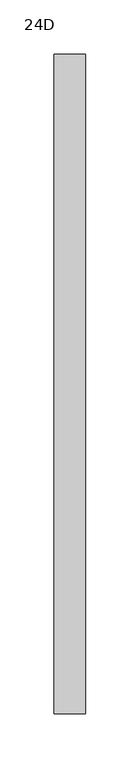
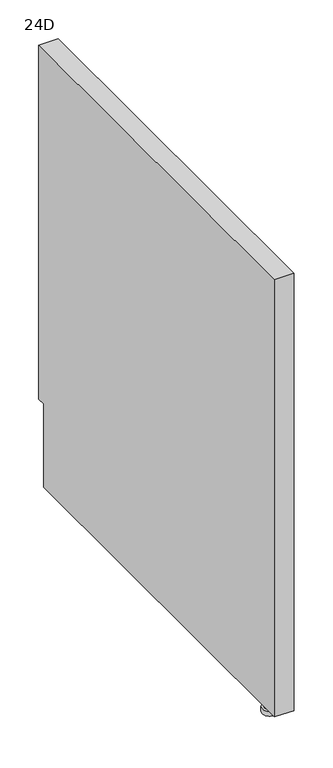
"""IFC4 building model written with IfcOpenShell, lengths in millimetres: furniture geometry, 24D."""

from ifc_helpers import new_model, si_unit, frame, origin, place, context, project, spatial, polyline, circle_curve, outline, extrude, source, transform, mapped, element, save
from ifc_brep_helpers import plane_surface, cylinder_surface, advanced_brep


def furniture_24d_13ffd9fb(model_context):
    return source(origin(), model_context, "Body", "SolidModel", [
        advanced_brep(
        [(14.4272, 37.5793, 0.0), (14.4272, 26.64714, 0.0), (14.4272, 48.51146, 0.0), (14.4272, 44.82592, 19.05), (14.4272, 30.33268, 19.05), (14.4272, 37.5793, 19.05), (14.4272, 44.82592, 7.60222), (14.4272, 30.33268, 7.60222), (14.4272, 48.51146, 7.60222), (14.4272, 26.64714, 7.60222)],
        [
            (0, 1),
            (1, 2, circle_curve(frame((14.4272, 37.5793, 0.0), z_axis=(0.0, 0.0, -1.0), x_axis=(0.0, -1.0, 0.0)), 10.93216)),
            (2, 0),
            (2, 1, circle_curve(frame((14.4272, 37.5793, 0.0), z_axis=(0.0, 0.0, -1.0), x_axis=(0.0, -1.0, 0.0)), 10.93216)),
            (3, 4, circle_curve(frame((14.4272, 37.5793, 19.05), z_axis=(0.0, 0.0, 1.0), x_axis=(0.0, -1.0, 0.0)), 7.24662)),
            (4, 5),
            (5, 3),
            (4, 3, circle_curve(frame((14.4272, 37.5793, 19.05), z_axis=(0.0, 0.0, 1.0), x_axis=(0.0, -1.0, 0.0)), 7.24662)),
            (6, 7, circle_curve(frame((14.4272, 37.5793, 7.60222), z_axis=(0.0, 0.0, 1.0), x_axis=(0.0, -1.0, 0.0)), 7.24662)),
            (7, 4),
            (3, 6),
            (7, 6, circle_curve(frame((14.4272, 37.5793, 7.60222), z_axis=(0.0, 0.0, 1.0), x_axis=(0.0, -1.0, 0.0)), 7.24662)),
            (8, 9, circle_curve(frame((14.4272, 37.5793, 7.60222), z_axis=(0.0, 0.0, 1.0), x_axis=(0.0, -1.0, 0.0)), 10.93216)),
            (9, 7),
            (6, 8),
            (9, 8, circle_curve(frame((14.4272, 37.5793, 7.60222), z_axis=(0.0, 0.0, 1.0), x_axis=(0.0, -1.0, 0.0)), 10.93216)),
            (1, 9),
            (8, 2),
        ],
        [
            plane_surface(frame((14.4272, 37.5793, 0.0), z_axis=(0.0, 0.0, -1.0), x_axis=(0.0, -1.0, 0.0))),
            plane_surface(frame((14.4272, 37.5793, 19.05), z_axis=(0.0, 0.0, 1.0), x_axis=(0.0, -1.0, 0.0))),
            cylinder_surface(frame((14.4272, 37.5793, 0.0), z_axis=(0.0, 0.0, -1.0), x_axis=(0.0, -1.0, 0.0)), 7.24662),
            plane_surface(frame((14.4272, 37.5793, 7.60222), z_axis=(0.0, 0.0, 1.0), x_axis=(0.0, -1.0, 0.0))),
            cylinder_surface(frame((14.4272, 37.5793, 0.0), z_axis=(0.0, 0.0, -1.0), x_axis=(0.0, -1.0, 0.0)), 10.93216),
        ],
        [
            (0, [[1, 2, 3]]),
            (0, [[-3, 4, -1]]),
            (1, [[5, 6, 7]]),
            (1, [[8, -7, -6]]),
            (2, [[9, 10, -5, 11]]),
            (2, [[12, -11, -8, -10]]),
            (3, [[13, 14, -9, 15]]),
            (3, [[16, -15, -12, -14]]),
            (4, [[-2, 17, -13, 18]]),
            (4, [[-4, -18, -16, -17]]),
        ],
    ),
        extrude(outline(polyline([(0.0, 704.85), (606.425, 704.85), (606.425, 150.01875), (593.725, 150.01875), (593.725, 19.05), (0.0, 19.05), (0.0, 704.85)])), frame((0.0, 0.0, 0.0), z_axis=(1.0, 0.0, 0.0), x_axis=(0.0, 1.0, 0.0)), (0.0, 0.0, 1.0), 28.8544),
    ])


if __name__ == "__main__":
    model = new_model("IFC4")
    model_context = context("Model", 3, world=origin())
    ifc_project = project(units=[si_unit("LENGTHUNIT", "METRE", prefix="MILLI")], contexts=[model_context])
    site = spatial("IfcSite", under=ifc_project)
    building = spatial("IfcBuilding", under=site)
    placement = place(None, origin())
    furniture_24d_shape = furniture_24d_13ffd9fb(model_context)
    element("IfcFurniture", 1, ObjectType="24D", at=placement, inside=building, context=model_context, shape_type="MappedRepresentation", body=[
        mapped(furniture_24d_shape, transform((0.0, 0.0, 0.0), x_axis=(1.0, 0.0, 0.0), y_axis=(0.0, 1.0, 0.0), z_axis=(0.0, 0.0, 1.0))),
    ])
    save(model, "model.ifc")
